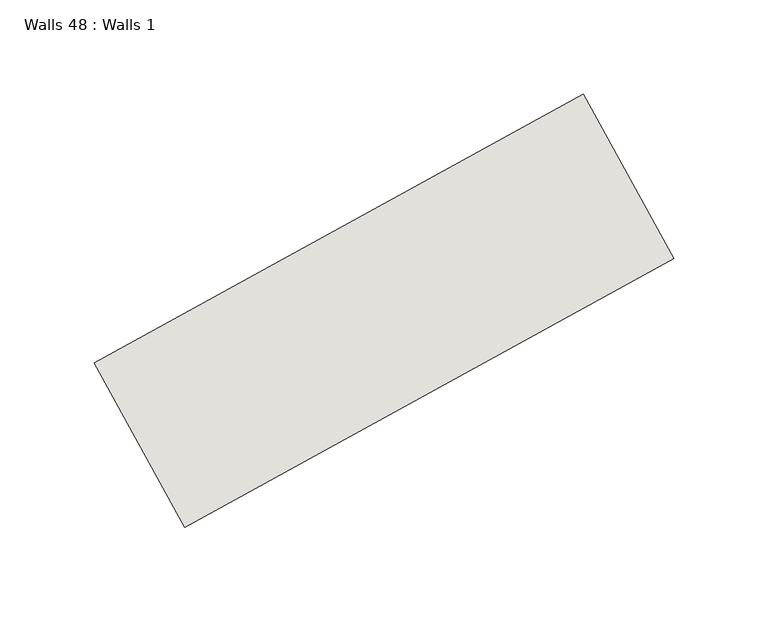
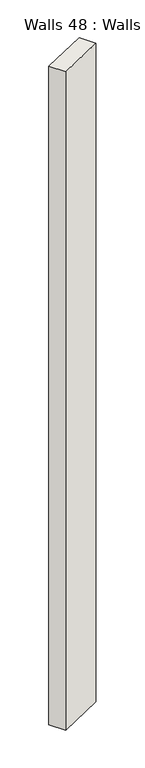
"""IFC4 building model written with IfcOpenShell, lengths in millimetres: wall geometry, Walls 48 : Walls 1."""

from ifc_helpers import new_model, si_unit, origin, origin_with_axes, place, context, project, spatial, polyline, outline, extrude, source, transform, mapped, element, save


def walls_48_walls_1_17b072c6(model_context):
    return source(origin(), model_context, "Body", "SweptSolid", [
        extrude(outline(polyline([(11537.9069096, -2376.8638747), (11797.9349964, -2233.9186603), (11846.1086982, -2321.5502439), (11586.0806114, -2464.4954584), (11537.9069096, -2376.8638747)])), origin_with_axes(), (0.0, 0.0, 1.0), 4100.133699),
    ])


if __name__ == "__main__":
    model = new_model("IFC4")
    model_context = context("Model", 3, world=origin())
    ifc_project = project(units=[si_unit("LENGTHUNIT", "METRE", prefix="MILLI")], contexts=[model_context])
    site = spatial("IfcSite", under=ifc_project)
    building = spatial("IfcBuilding", under=site)
    placement = place(None, origin())
    walls_48_walls_1_shape = walls_48_walls_1_17b072c6(model_context)
    element("IfcWall", 1, ObjectType="Walls 48 : Walls 1", at=placement, inside=building, context=model_context, shape_type="MappedRepresentation", body=[
        mapped(walls_48_walls_1_shape, transform((0.0, 0.0, 0.0), x_axis=(1.0, 0.0, 0.0), y_axis=(0.0, 1.0, 0.0), z_axis=(0.0, 0.0, 1.0))),
    ])
    save(model, "model.ifc")
